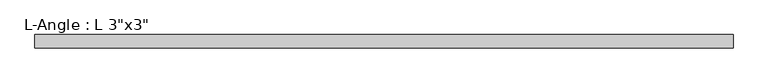
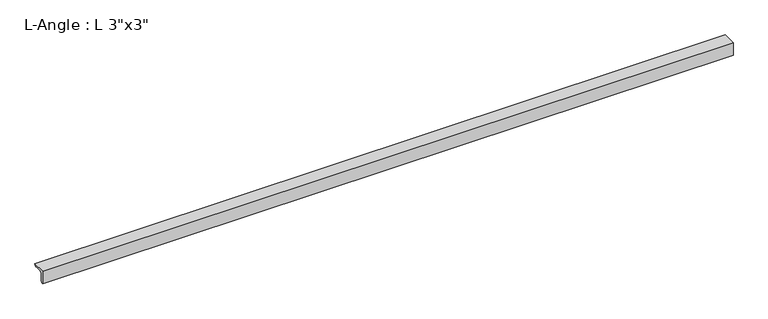
"""IFC4 building model written with IfcOpenShell, lengths in millimetres: beam geometry."""

import ifcopenshell
import ifcopenshell.guid

model = None  # the IFC model being written
_history = None  # IfcOwnerHistory: only IFC2X3 demands one
_inside = {}  # id of a spatial element -> (the spatial element, [elements in it])
_under = {}  # id of a project, library or spatial element -> (it, [spatial elements below it])
_declared = {}  # id of a project -> (the project, [libraries it declares])
_typed = {}  # id of a type object -> (the type object, [elements of that type])
_made_of = {}  # id of a material, layer set ... -> (it, [elements and type objects made of it])


def new_model(schema):
    """Start an empty IFC model of exactly this schema.

    Asked for "IFC4X3", IfcOpenShell would pick the latest addendum, in which some entities
    have other attributes; the version numbers below select the first issue.
    IFC2X3 requires an IfcOwnerHistory on every rooted entity: one is made here for all.
    """
    global model, _history
    if schema == "IFC4X3":
        model = ifcopenshell.file(schema_version=(4, 3, 0, 0))
    else:
        model = ifcopenshell.file(schema=schema)
    _inside.clear()
    _under.clear()
    _declared.clear()
    _typed.clear()
    _made_of.clear()
    _history = None
    if model.schema == "IFC2X3":
        org = make("IfcOrganization", Name="unknown")
        user = make(
            "IfcPersonAndOrganization",
            ThePerson=make("IfcPerson", FamilyName="unknown"),
            TheOrganization=org,
        )
        app = make(
            "IfcApplication",
            ApplicationDeveloper=org,
            Version="unknown",
            ApplicationFullName="unknown",
            ApplicationIdentifier="unknown",
        )
        _history = make(
            "IfcOwnerHistory",
            OwningUser=user,
            OwningApplication=app,
            ChangeAction="ADDED",
            CreationDate=0,
        )
    return model


def make(cls, **values):
    """One entity of the class cls with the attributes given. An attribute that is None is left unset."""
    return model.create_entity(
        cls, **{name: value for name, value in values.items() if value is not None}
    )


def rooted(cls, **values):
    """An entity with a GlobalId (a new one), such as an element, a storey or a relation."""
    return make(cls, GlobalId=ifcopenshell.guid.new(), OwnerHistory=_history, **values)


def si_unit(unit_type, name, prefix=None):
    """IfcSIUnit, for example si_unit("LENGTHUNIT", "METRE", prefix="MILLI")."""
    return make("IfcSIUnit", UnitType=unit_type, Prefix=prefix, Name=name)


def assignment(units):
    """IfcUnitAssignment: the units of a project."""
    return None if units is None else make("IfcUnitAssignment", Units=units)


def point(xyz):
    """IfcCartesianPoint."""
    return None if xyz is None else make("IfcCartesianPoint", Coordinates=xyz)


def direction(xyz):
    """IfcDirection."""
    return None if xyz is None else make("IfcDirection", DirectionRatios=xyz)


def frame(location, z_axis=None, x_axis=None):
    """IfcAxis2Placement3D, a coordinate frame: its origin and axes. An axis left out is left unset."""
    return make(
        "IfcAxis2Placement3D",
        Location=point(location),
        Axis=direction(z_axis),
        RefDirection=direction(x_axis),
    )


def frame_2d(location, x_axis=None):
    """IfcAxis2Placement2D, a coordinate frame in the plane: its origin and x axis."""
    return make(
        "IfcAxis2Placement2D", Location=point(location), RefDirection=direction(x_axis)
    )


def origin():
    """The frame at (0, 0, 0) with its axes left unset."""
    return frame((0.0, 0.0, 0.0))


def place(relative_to, where):
    """IfcLocalPlacement: puts the frame where relative to a parent placement (None: the world)."""
    return make(
        "IfcLocalPlacement", PlacementRelTo=relative_to, RelativePlacement=where
    )


def context(
    kind, dimensions, precision=None, world=None, true_north=None, identifier=None
):
    """IfcGeometricRepresentationContext, for example the 3D "Model" context."""
    return make(
        "IfcGeometricRepresentationContext",
        ContextIdentifier=identifier,
        ContextType=kind,
        CoordinateSpaceDimension=dimensions,
        Precision=precision,
        WorldCoordinateSystem=world,
        TrueNorth=true_north,
    )


def project(units=None, contexts=None):
    """IfcProject with its units and contexts."""
    return rooted(
        "IfcProject",
        Name="project",
        RepresentationContexts=contexts,
        UnitsInContext=assignment(units),
    )


def spatial(cls, under=None, at=None, **own):
    """A site, building, storey or space (cls), placed at a placement, below another one or the project."""
    s = rooted(cls, ObjectPlacement=at, **own)
    if under is not None:
        _under.setdefault(under.id(), (under, []))[1].append(s)
    return s


def polyline(points):
    """IfcPolyline through the points."""
    return make("IfcPolyline", Points=[point(p) for p in points])


def circle_curve(where, radius):
    """IfcCircle in the frame where."""
    return make("IfcCircle", Position=where, Radius=radius)


def trimmed(basis, trim1, trim2, sense, master):
    """IfcTrimmedCurve: the piece of a basis curve between two trims."""
    return make(
        "IfcTrimmedCurve",
        BasisCurve=basis,
        Trim1=trim1,
        Trim2=trim2,
        SenseAgreement=sense,
        MasterRepresentation=master,
    )


def segment(curve, same_sense, transition):
    """IfcCompositeCurveSegment."""
    return make(
        "IfcCompositeCurveSegment",
        Transition=transition,
        SameSense=same_sense,
        ParentCurve=curve,
    )


def composite_curve(segments, self_intersect=None):
    """IfcCompositeCurve: segments joined end to end."""
    return make("IfcCompositeCurve", Segments=segments, SelfIntersect=self_intersect)


def outline(outer, holes=None, kind="AREA"):
    """IfcArbitraryClosedProfileDef: a profile drawn as a closed curve; with holes, ...WithVoids."""
    if holes is None:
        return make("IfcArbitraryClosedProfileDef", ProfileType=kind, OuterCurve=outer)
    return make(
        "IfcArbitraryProfileDefWithVoids",
        ProfileType=kind,
        OuterCurve=outer,
        InnerCurves=holes,
    )


def extrude(swept, where, along, depth):
    """IfcExtrudedAreaSolid: the profile swept, set in the frame where, extruded along a direction by depth."""
    return make(
        "IfcExtrudedAreaSolid",
        SweptArea=swept,
        Position=where,
        ExtrudedDirection=direction(along),
        Depth=depth,
    )


def shape(context_of_items, identifier, shape_type, items):
    """IfcShapeRepresentation: the items that make up one representation, for example the "Body"."""
    return make(
        "IfcShapeRepresentation",
        ContextOfItems=context_of_items,
        RepresentationIdentifier=identifier,
        RepresentationType=shape_type,
        Items=items,
    )


def source(mapping_origin, context_of_items, identifier, shape_type, items):
    """IfcRepresentationMap: a shape defined once, which mapped items show again and again."""
    return make(
        "IfcRepresentationMap",
        MappingOrigin=mapping_origin,
        MappedRepresentation=shape(context_of_items, identifier, shape_type, items),
    )


def transform(
    local_origin,
    x_axis=None,
    y_axis=None,
    z_axis=None,
    scale=None,
    scale2=None,
    scale3=None,
    uniform=True,
):
    """IfcCartesianTransformationOperator3D, or its non-uniform kind. x_axis, y_axis, z_axis: its Axis1, 2, 3."""
    if uniform:
        return make(
            "IfcCartesianTransformationOperator3D",
            Axis1=direction(x_axis),
            Axis2=direction(y_axis),
            LocalOrigin=point(local_origin),
            Scale=scale,
            Axis3=direction(z_axis),
        )
    return make(
        "IfcCartesianTransformationOperator3DnonUniform",
        Axis1=direction(x_axis),
        Axis2=direction(y_axis),
        LocalOrigin=point(local_origin),
        Scale=scale,
        Axis3=direction(z_axis),
        Scale2=scale2,
        Scale3=scale3,
    )


def mapped(mapping_source, mapping_target):
    """IfcMappedItem: shows the shape of a source again, moved by a transform."""
    return make(
        "IfcMappedItem", MappingSource=mapping_source, MappingTarget=mapping_target
    )


def made_of(thing, what):
    """Note that an element or type object is made of a material, layer set ...; save() writes the relation."""
    if what is not None:
        _made_of.setdefault(what.id(), (what, []))[1].append(thing)
    return thing


def element(
    cls,
    number,
    at=None,
    inside=None,
    cuts=None,
    type_object=None,
    material=None,
    context=None,
    identifier="Body",
    shape_type=None,
    held_by="IfcProductDefinitionShape",
    body=None,
    shapes=None,
    **own,
):
    """One element of the class cls, such as IfcWall. Its Tag is "e" and its number.

    at: its placement. inside: the storey or other place that contains it. cuts: it is an
    opening in that element (IfcRelVoidsElement). A single representation is given by context,
    identifier, shape_type and body (its items); several are given by shapes. held_by: the class
    of the entity that holds the representations. save() writes the other relations.
    """
    e = rooted(cls, Tag="e%d" % number, ObjectPlacement=at, **own)
    if body is not None:
        shapes = [shape(context, identifier, shape_type, body)]
    if shapes is not None:
        e.Representation = make(held_by, Representations=shapes)
    if inside is not None:
        _inside.setdefault(inside.id(), (inside, []))[1].append(e)
    if cuts is not None:
        rooted(
            "IfcRelVoidsElement", RelatingBuildingElement=cuts, RelatedOpeningElement=e
        )
    if type_object is not None:
        _typed.setdefault(type_object.id(), (type_object, []))[1].append(e)
    return made_of(e, material)


def aggregate(whole, parts):
    """IfcRelAggregates: a whole, such as a stair, and the parts it consists of."""
    return rooted("IfcRelAggregates", RelatingObject=whole, RelatedObjects=parts)


def save(model, path):
    """Write the relations noted so far, then the file.

    IfcRelAggregates (storeys below a building ...), IfcRelContainedInSpatialStructure (elements
    in a storey), IfcRelDefinesByType, IfcRelAssociatesMaterial and IfcRelDeclares: one each for
    every whole, place, type object, material and project.
    """
    for whole, parts in _under.values():
        aggregate(whole, parts)
    for where, things in _inside.values():
        rooted(
            "IfcRelContainedInSpatialStructure",
            RelatedElements=things,
            RelatingStructure=where,
        )
    for kind, things in _typed.values():
        rooted("IfcRelDefinesByType", RelatedObjects=things, RelatingType=kind)
    for what, things in _made_of.values():
        rooted("IfcRelAssociatesMaterial", RelatedObjects=things, RelatingMaterial=what)
    for by, libraries in _declared.values():
        rooted("IfcRelDeclares", RelatingContext=by, RelatedDefinitions=libraries)
    model.write(path)


def beam_02795396(model_context):
    return source(origin(), model_context, "Body", "SweptSolid", [
        extrude(outline(composite_curve([segment(polyline([(-24.9039062, 50.3039062), (51.2960938, 50.3039062)]), True, "CONTINUOUS"), segment(trimmed(circle_curve(frame_2d((38.5960938, 50.3039062)), 12.7), [point((51.2960938, 50.3039062))], [point((38.5960938, 37.6039062))], False, "CARTESIAN"), True, "CONTINUOUS"), segment(polyline([(38.5960938, 37.6039062), (0.4960938, 37.6039062)]), True, "CONTINUOUS"), segment(trimmed(circle_curve(frame_2d((0.4960938, 24.9039062)), 12.7), [point((0.4960938, 37.6039062))], [point((-12.2039062, 24.9039062))], True, "CARTESIAN"), True, "CONTINUOUS"), segment(polyline([(-12.2039062, 24.9039062), (-12.2039062, -13.1960938)]), True, "CONTINUOUS"), segment(trimmed(circle_curve(frame_2d((-24.9039062, -13.1960938)), 12.7), [point((-12.2039062, -13.1960938))], [point((-24.9039062, -25.8960938))], False, "CARTESIAN"), True, "CONTINUOUS"), segment(polyline([(-24.9039062, -25.8960938), (-24.9039062, 50.3039062)]), True, "CONTINUOUS")], self_intersect=False)), frame((-1983.2449964, 0.0, 0.0), z_axis=(1.0, 0.0, 0.0), x_axis=(0.0, 1.0, 0.0)), (0.0, 0.0, 1.0), 3966.4899928),
    ])


if __name__ == "__main__":
    model = new_model("IFC4")
    model_context = context("Model", 3, world=origin())
    ifc_project = project(units=[si_unit("LENGTHUNIT", "METRE", prefix="MILLI")], contexts=[model_context])
    site = spatial("IfcSite", under=ifc_project)
    building = spatial("IfcBuilding", under=site)
    placement = place(None, origin())
    beam_shape = beam_02795396(model_context)
    element("IfcBeam", 1, ObjectType="L-Angle : L 3\"x3\"", at=placement, inside=building, context=model_context, shape_type="MappedRepresentation", body=[
        mapped(beam_shape, transform((0.0, 0.0, 0.0), x_axis=(1.0, 0.0, 0.0), y_axis=(0.0, 1.0, 0.0), z_axis=(0.0, 0.0, 1.0))),
    ])
    save(model, "model.ifc")
